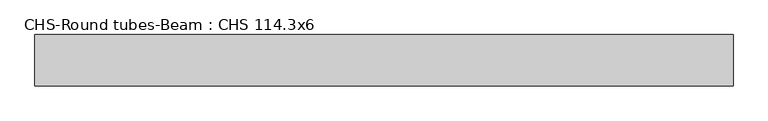
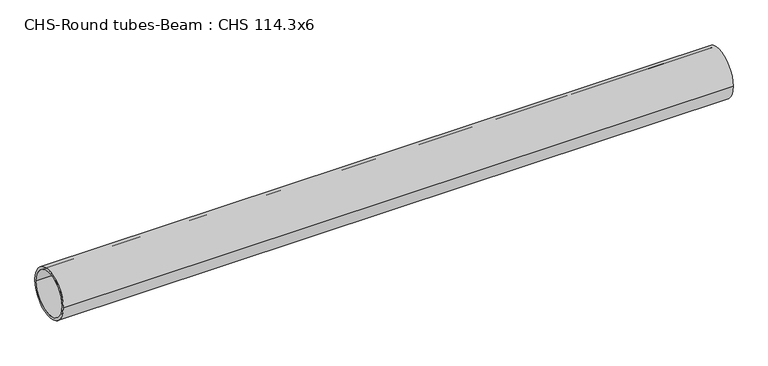
"""IFC4 building model written with IfcOpenShell, lengths in millimetres: beam geometry, CHS-Round tubes-Beam : CHS 114.3x6."""

from ifc_helpers import new_model, si_unit, point, frame, origin, origin_2d, place, context, project, spatial, circle_curve, trimmed, segment, composite_curve, outline, extrude, source, transform, mapped, element, save


def chs_round_tubes_beam_chs_114_3x6_6d8a62d9(model_context):
    return source(origin(), model_context, "Body", "SweptSolid", [
        extrude(outline(composite_curve([segment(trimmed(circle_curve(origin_2d(), 57.15), [point((57.15, 0.0))], [point((-57.15, 0.0))], False, "CARTESIAN"), True, "CONTINUOUS"), segment(trimmed(circle_curve(origin_2d(), 57.15), [point((-57.15, 0.0))], [point((57.15, 0.0))], False, "CARTESIAN"), True, "CONTINUOUS")], self_intersect=False), holes=[composite_curve([segment(trimmed(circle_curve(origin_2d(), 51.15), [point((51.15, 0.0))], [point((-51.15, 0.0))], True, "CARTESIAN"), True, "CONTINUOUS"), segment(trimmed(circle_curve(origin_2d(), 51.15), [point((-51.15, 0.0))], [point((51.15, 0.0))], True, "CARTESIAN"), True, "CONTINUOUS")], self_intersect=False)]), frame((-771.3751998, 0.0, 0.0), z_axis=(1.0, 0.0, 0.0), x_axis=(0.0, 1.0, 0.0)), (0.0, 0.0, 1.0), 1559.0187637),
    ])


if __name__ == "__main__":
    model = new_model("IFC4")
    model_context = context("Model", 3, world=origin())
    ifc_project = project(units=[si_unit("LENGTHUNIT", "METRE", prefix="MILLI")], contexts=[model_context])
    site = spatial("IfcSite", under=ifc_project)
    building = spatial("IfcBuilding", under=site)
    placement = place(None, origin())
    chs_round_tubes_beam_chs_114_3x6_shape = chs_round_tubes_beam_chs_114_3x6_6d8a62d9(model_context)
    element("IfcBeam", 1, ObjectType="CHS-Round tubes-Beam : CHS 114.3x6", at=placement, inside=building, context=model_context, shape_type="MappedRepresentation", body=[
        mapped(chs_round_tubes_beam_chs_114_3x6_shape, transform((0.0, 0.0, 0.0), x_axis=(1.0, 0.0, 0.0), y_axis=(0.0, 1.0, 0.0), z_axis=(0.0, 0.0, 1.0))),
    ])
    save(model, "model.ifc")
